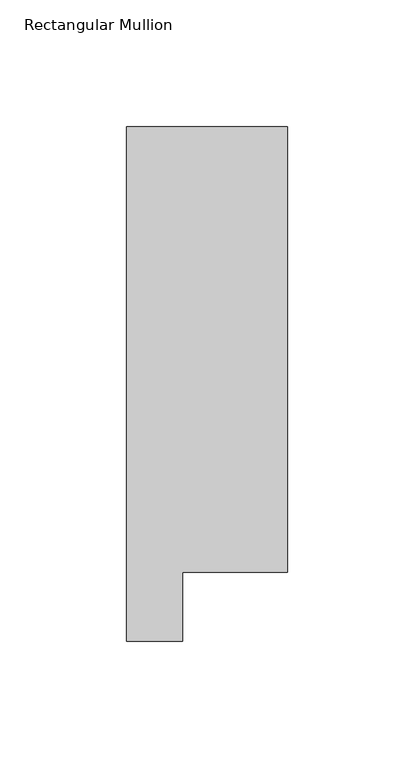
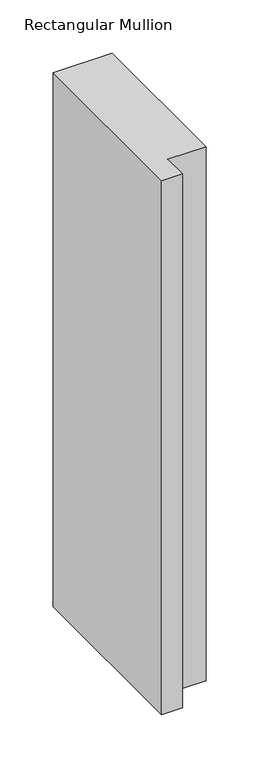
"""IFC4 building model written with IfcOpenShell, lengths in millimetres: member geometry, Rectangular Mullion."""

from ifc_helpers import new_model, si_unit, frame, origin, place, context, project, spatial, polyline, outline, extrude, source, transform, mapped, element, save


def rectangular_mullion_68931c45(model_context):
    return source(origin(), model_context, "Body", "SweptSolid", [
        extrude(outline(polyline([(-63.5, 222.5381312), (0.0, 222.5381313), (0.0, 46.7447302), (-41.2877, 46.7447302), (-41.2877, 19.5667312), (-63.5, 19.5667312), (-63.5, 222.5381312)])), frame((0.0, 0.0, -609.6), z_axis=(0.0, 0.0, 1.0), x_axis=(1.0, 0.0, 0.0)), (0.0, 0.0, 1.0), 609.6),
    ])


if __name__ == "__main__":
    model = new_model("IFC4")
    model_context = context("Model", 3, world=origin())
    ifc_project = project(units=[si_unit("LENGTHUNIT", "METRE", prefix="MILLI")], contexts=[model_context])
    site = spatial("IfcSite", under=ifc_project)
    building = spatial("IfcBuilding", under=site)
    placement = place(None, origin())
    rectangular_mullion_shape = rectangular_mullion_68931c45(model_context)
    element("IfcMember", 1, ObjectType="Rectangular Mullion", at=placement, inside=building, context=model_context, shape_type="MappedRepresentation", body=[
        mapped(rectangular_mullion_shape, transform((0.0, 0.0, 0.0), x_axis=(1.0, 0.0, 0.0), y_axis=(0.0, 1.0, 0.0), z_axis=(0.0, 0.0, 1.0))),
    ])
    save(model, "model.ifc")
